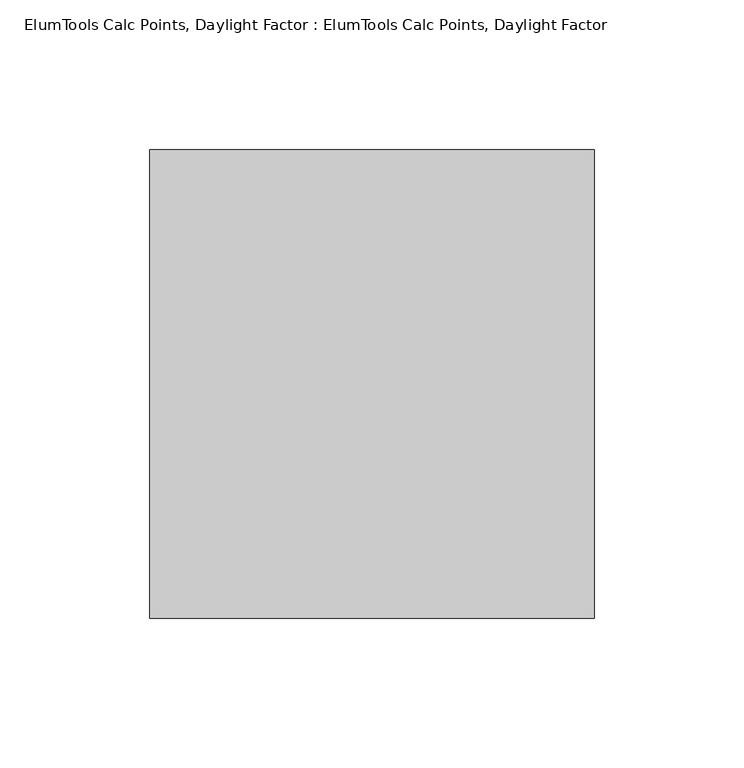
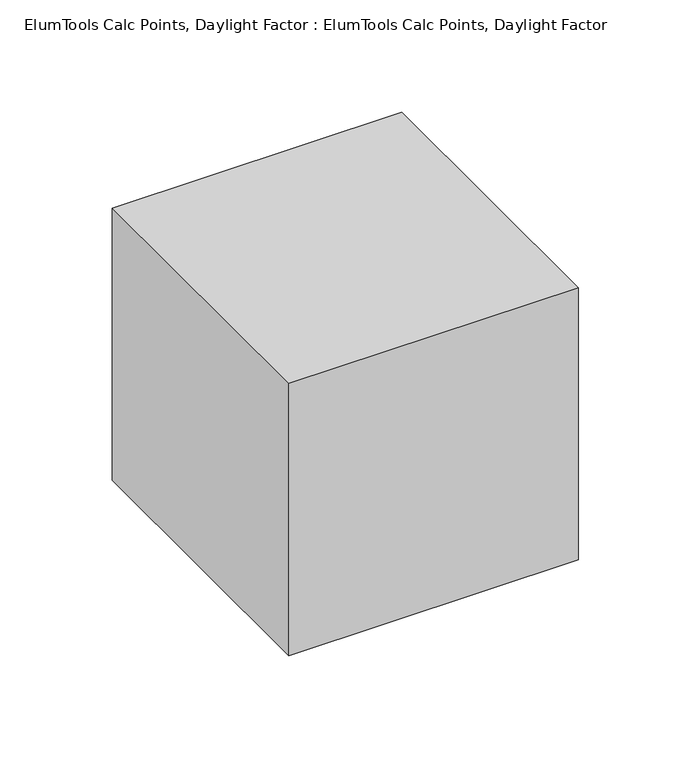
"""IFC4 building model written with IfcOpenShell, lengths in millimetres: proxy geometry, ElumTools Calc Points, Daylight Factor : ElumTools Calc Points, Daylight Factor."""

from ifc_helpers import new_model, si_unit, origin, origin_with_axes, place, context, project, spatial, polyline, outline, extrude, source, transform, mapped, element, save


def elumtools_calc_points_daylight_factor_elumtools_calc_points_a0d10fb8(model_context):
    return source(origin(), model_context, "Body", "SweptSolid", [
        extrude(outline(polyline([(-74.377296, -78.4098), (-74.377296, 78.4098), (74.377296, 78.4098), (74.377296, -78.4098), (-74.377296, -78.4098)])), origin_with_axes(), (0.0, 0.0, 1.0), 147.828),
    ])


if __name__ == "__main__":
    model = new_model("IFC4")
    model_context = context("Model", 3, world=origin())
    ifc_project = project(units=[si_unit("LENGTHUNIT", "METRE", prefix="MILLI")], contexts=[model_context])
    site = spatial("IfcSite", under=ifc_project)
    building = spatial("IfcBuilding", under=site)
    placement = place(None, origin())
    elumtools_calc_points_daylight_factor_elumtools_calc_points_shape = elumtools_calc_points_daylight_factor_elumtools_calc_points_a0d10fb8(model_context)
    element("IfcBuildingElementProxy", 1, Name="ElumTools Calc Points, Daylight Factor : ElumTools Calc Points, Daylight Factor", ObjectType="ElumTools Calc Points, Daylight Factor : ElumTools Calc Points, Daylight Factor", at=placement, inside=building, context=model_context, shape_type="MappedRepresentation", body=[
        mapped(elumtools_calc_points_daylight_factor_elumtools_calc_points_shape, transform((0.0, 0.0, 0.0), x_axis=(1.0, 0.0, 0.0), y_axis=(0.0, 1.0, 0.0), z_axis=(0.0, 0.0, 1.0))),
    ])
    save(model, "model.ifc")
